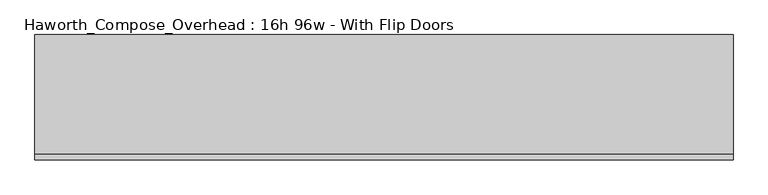
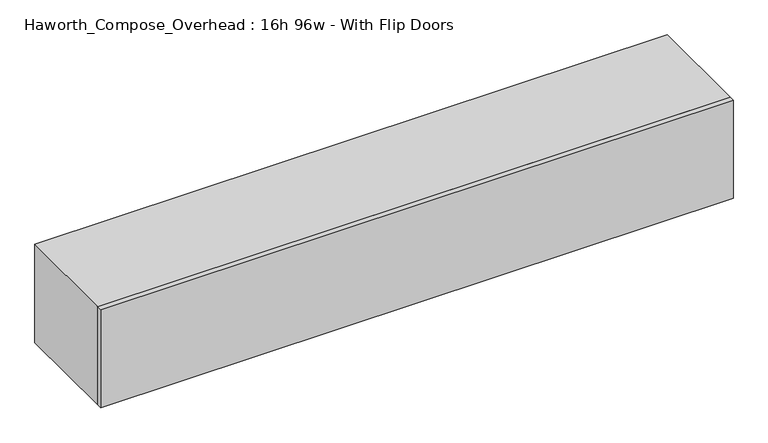
"""IFC4 building model written with IfcOpenShell, lengths in millimetres: furniture geometry, Haworth_Compose_Overhead : 16h 96w - With Flip Doors."""

from ifc_helpers import new_model, si_unit, frame, origin, place, context, project, spatial, polyline, outline, extrude, source, transform, mapped, element, save


def haworth_compose_overhead_16h_96w_with_flip_doors_b6591206(model_context):
    return source(origin(), model_context, "Body", "SweptSolid", [
        extrude(outline(polyline([(1384.3, -438.15), (-1054.1, -438.15), (-1054.1, -419.1), (1384.3, -419.1), (1384.3, -438.15)])), frame((0.0, 0.0, 1270.0), z_axis=(0.0, 0.0, 1.0), x_axis=(1.0, 0.0, 0.0)), (0.0, 0.0, 1.0), 400.05),
        extrude(outline(polyline([(1358.9, -6.35), (-1028.7, -6.35), (-1028.7, 0.0), (1358.9, 0.0), (1358.9, -6.35)])), frame((0.0, 0.0, 1295.4), z_axis=(0.0, 0.0, 1.0), x_axis=(1.0, 0.0, 0.0)), (0.0, 0.0, 1.0), 349.25),
        extrude(outline(polyline([(1270.0, 1384.3), (1670.05, 1384.3), (1670.05, -1054.1), (1270.0, -1054.1), (1270.0, 1384.3)]), holes=[polyline([(1644.65, 1358.9), (1295.4, 1358.9), (1295.4, -1028.7), (1644.65, -1028.7), (1644.65, 1358.9)])]), frame((0.0, -419.1, 0.0), z_axis=(0.0, 1.0, 0.0), x_axis=(0.0, 0.0, 1.0)), (0.0, 0.0, 1.0), 419.1),
    ])


if __name__ == "__main__":
    model = new_model("IFC4")
    model_context = context("Model", 3, world=origin())
    ifc_project = project(units=[si_unit("LENGTHUNIT", "METRE", prefix="MILLI")], contexts=[model_context])
    site = spatial("IfcSite", under=ifc_project)
    building = spatial("IfcBuilding", under=site)
    placement = place(None, origin())
    haworth_compose_overhead_16h_96w_with_flip_doors_shape = haworth_compose_overhead_16h_96w_with_flip_doors_b6591206(model_context)
    element("IfcFurniture", 1, ObjectType="Haworth_Compose_Overhead : 16h 96w - With Flip Doors", at=placement, inside=building, context=model_context, shape_type="MappedRepresentation", body=[
        mapped(haworth_compose_overhead_16h_96w_with_flip_doors_shape, transform((0.0, 0.0, 0.0), x_axis=(1.0, 0.0, 0.0), y_axis=(0.0, 1.0, 0.0), z_axis=(0.0, 0.0, 1.0))),
    ])
    save(model, "model.ifc")
